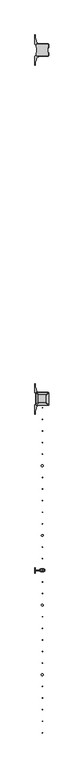
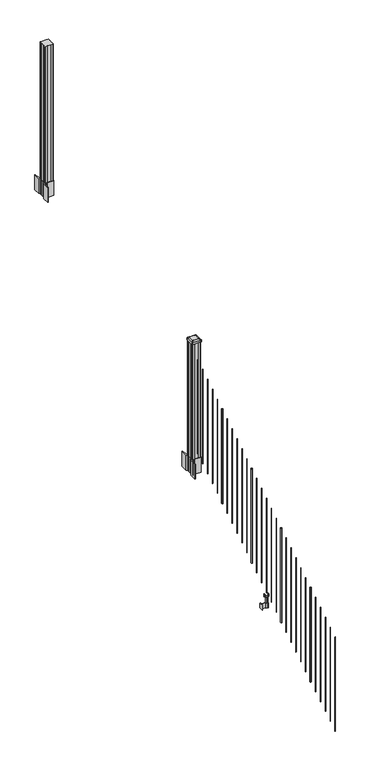
"""IFC4 building model written with IfcOpenShell, lengths in millimetres: railing geometry."""

from ifc_helpers import new_model, si_unit, point, frame, frame_2d, origin, place, context, project, spatial, polyline, circle_curve, trimmed, segment, composite_curve, outline, extrude, source, transform, mapped, element, save
from ifc_brep_helpers import plane_surface, extruded_surface, advanced_brep


def railing_3c6fd05c(model_context):
    return source(origin(), model_context, "Body", "SolidModel", [
        extrude(outline(composite_curve([segment(polyline([(11117.5731478, -85037.4489401), (11119.1606478, -85038.2109401), (11119.1606478, -85061.0128682), (11115.7876707, -85064.3858453), (11054.3279999, -85064.3858453), (11054.3279999, -85065.3065953), (11049.0104561, -85065.3065953), (11049.0104561, -85066.76085), (11043.9259264, -85066.76085), (11043.9259264, -85068.0448738), (11042.2586541, -85068.0448738)]), True, "CONTINUOUS"), segment(trimmed(circle_curve(frame_2d((11042.2586541, -85075.1043337)), 7.0594599), [point((11042.2586541, -85068.0448738))], [point((11035.4913912, -85073.094327))], True, "CARTESIAN"), True, "CONTINUOUS"), segment(polyline([(11035.4913912, -85073.094327), (11027.6171969, -85099.6050561)]), True, "CONTINUOUS"), segment(trimmed(circle_curve(frame_2d((11082.4017103, -85115.8771057)), 57.15), [point((11027.6171969, -85099.6050561))], [point((11025.2517103, -85115.8771057))], True, "CARTESIAN"), True, "CONTINUOUS"), segment(polyline([(11025.2517103, -85115.8771057), (11025.2517103, -85127.8858453), (11022.2517103, -85127.8858453), (11022.2517103, -85062.7983453), (11030.5146478, -85051.460054), (11030.5146478, -85038.2109401), (11032.1021478, -85037.4489401), (11032.1021478, -85002.6767504), (11030.5146478, -85001.9147504), (11030.5146478, -84988.6656366), (11022.2517103, -84977.3273453), (11022.2517103, -84912.2398453), (11025.2517103, -84912.2398453), (11025.2517103, -84924.2485848)]), True, "CONTINUOUS"), segment(trimmed(circle_curve(frame_2d((11082.4017103, -84924.2485848)), 57.15), [point((11025.2517103, -84924.2485848))], [point((11027.6171969, -84940.5206345))], True, "CARTESIAN"), True, "CONTINUOUS"), segment(polyline([(11027.6171969, -84940.5206345), (11035.4913912, -84967.0313636)]), True, "CONTINUOUS"), segment(trimmed(circle_curve(frame_2d((11042.2586541, -84965.0213569)), 7.0594599), [point((11035.4913912, -84967.0313636))], [point((11042.2586541, -84972.0808168))], True, "CARTESIAN"), True, "CONTINUOUS"), segment(polyline([(11042.2586541, -84972.0808168), (11043.9259264, -84972.0808168), (11043.9259264, -84973.3648406), (11049.0104561, -84973.3648406), (11049.0104561, -84974.8190953), (11054.3279999, -84974.8190953), (11054.3279999, -84975.7398453), (11115.7876707, -84975.7398453), (11119.1606478, -84979.1128224), (11119.1606478, -85001.9147504), (11117.5731478, -85002.6767504), (11117.5731478, -85037.4489401)]), True, "CONTINUOUS")], self_intersect=False), holes=[polyline([(11033.5626478, -84980.3753453), (11033.5626478, -85059.7503453), (11035.1501478, -85061.3378453), (11072.0744304, -85061.3378453), (11114.5251478, -85061.3378453), (11116.1126478, -85059.7503453), (11116.1126478, -84980.3753453), (11114.5251478, -84978.7878453), (11072.0744304, -84978.7878453), (11035.1501478, -84978.7878453), (11033.5626478, -84980.3753453)])]), frame((0.0, 0.0, 1562.1), z_axis=(0.0, 0.0, 1.0), x_axis=(1.0, 0.0, 0.0)), (0.0, 0.0, 1.0), 152.4),
        advanced_brep(
        [(11049.0407728, -85049.0347203, 2926.839263), (11100.6345228, -85049.0347203, 2926.839263), (11103.8095228, -85045.8597203, 2926.839263), (11103.8095228, -84994.2659703, 2926.839263), (11100.6345228, -84991.0909703, 2926.839263), (11049.0407728, -84991.0909703, 2926.839263), (11045.8657728, -84994.2659703, 2926.839263), (11045.8657728, -85045.8597203, 2926.839263), (11032.7688978, -85065.3065953, 2915.536263), (11029.5938978, -85062.1315953, 2915.536263), (11029.5938978, -84977.9940953, 2915.536263), (11032.7688978, -84974.8190953, 2915.536263), (11116.9063978, -84974.8190953, 2915.536263), (11120.0813978, -84977.9940953, 2915.536263), (11120.0813978, -85062.1315953, 2915.536263), (11116.9063978, -85065.3065953, 2915.536263)],
        [
            (0, 1),
            (1, 2, circle_curve(frame((11100.6345228, -85045.8597203, 2926.839263), z_axis=(0.0, 0.0, 1.0), x_axis=(0.0, 1.0, 0.0)), 3.175)),
            (2, 3),
            (3, 4, circle_curve(frame((11100.6345228, -84994.2659703, 2926.839263), z_axis=(0.0, 0.0, 1.0), x_axis=(0.0, 1.0, 0.0)), 3.175)),
            (4, 5),
            (5, 6, circle_curve(frame((11049.0407728, -84994.2659703, 2926.839263), z_axis=(0.0, 0.0, 1.0), x_axis=(0.0, 1.0, 0.0)), 3.175)),
            (6, 7),
            (7, 0, circle_curve(frame((11049.0407728, -85045.8597203, 2926.839263), z_axis=(0.0, 0.0, 1.0), x_axis=(0.0, 1.0, 0.0)), 3.175)),
            (8, 9, circle_curve(frame((11032.7688978, -85062.1315953, 2915.536263), z_axis=(0.0, 0.0, -1.0), x_axis=(0.0, 1.0, 0.0)), 3.175)),
            (9, 10),
            (10, 11, circle_curve(frame((11032.7688978, -84977.9940953, 2915.536263), z_axis=(0.0, 0.0, -1.0), x_axis=(0.0, 1.0, 0.0)), 3.175)),
            (11, 12),
            (12, 13, circle_curve(frame((11116.9063978, -84977.9940953, 2915.536263), z_axis=(0.0, 0.0, -1.0), x_axis=(0.0, 1.0, 0.0)), 3.175)),
            (13, 14),
            (14, 15, circle_curve(frame((11116.9063978, -85062.1315953, 2915.536263), z_axis=(0.0, 0.0, -1.0), x_axis=(0.0, 1.0, 0.0)), 3.175)),
            (15, 8),
            (8, 0),
            (7, 9),
            (6, 10),
            (5, 11),
            (4, 12),
            (3, 13),
            (2, 14),
            (1, 15),
        ],
        [
            plane_surface(frame((11074.8376478, -85020.0628453, 2926.839263), z_axis=(0.0, 0.0, 1.0), x_axis=(-1.0, 0.0, 0.0))),
            plane_surface(frame((11074.8376478, -85020.0628453, 2915.536263), z_axis=(0.0, 0.0, -1.0), x_axis=(-1.0, 0.0, 0.0))),
            extruded_surface(trimmed(circle_curve(frame((11049.0407728, -85045.8597203, 2926.839263), z_axis=(0.0, 0.0, -1.0), x_axis=(0.0, 1.0, 0.0)), 3.175), [point((11049.0407728, -85049.0347203, 2926.839263))], [point((11045.8657728, -85045.8597203, 2926.839263))], True, "CARTESIAN"), (-16.271874999998545, -16.27187500000582, -11.302999999999884), 25.63797263886888),
            plane_surface(frame((11029.5938978, -85020.0628453, 2915.536263), z_axis=(-0.5705009161540778, 0.0, 0.8212969649690408), x_axis=(0.0, 1.0, 0.0))),
            extruded_surface(trimmed(circle_curve(frame((11049.0407728, -84994.2659703, 2926.839263), z_axis=(0.0, 0.0, -1.0), x_axis=(0.0, 1.0, 0.0)), 3.175), [point((11045.8657728, -84994.2659703, 2926.839263))], [point((11049.0407728, -84991.0909703, 2926.839263))], True, "CARTESIAN"), (-16.271874999998545, 16.27187499999127, -11.302999999999884), 25.637972638859644),
            plane_surface(frame((11074.8376478, -84974.8190953, 2915.536263), z_axis=(0.0, 0.5705009161540291, 0.8212969649690747), x_axis=(1.0, 0.0, 0.0))),
            extruded_surface(trimmed(circle_curve(frame((11100.6345228, -84994.2659703, 2926.839263), z_axis=(0.0, 0.0, -1.0), x_axis=(0.0, 1.0, 0.0)), 3.175), [point((11100.6345228, -84991.0909703, 2926.839263))], [point((11103.8095228, -84994.2659703, 2926.839263))], True, "CARTESIAN"), (16.271875000000364, 16.27187499999127, -11.302999999999884), 25.637972638860802),
            plane_surface(frame((11120.0813978, -85020.0628453, 2915.536263), z_axis=(0.5705009161540142, 0.0, 0.8212969649690851), x_axis=(0.0, -1.0, 0.0))),
            extruded_surface(trimmed(circle_curve(frame((11100.6345228, -85045.8597203, 2926.839263), z_axis=(0.0, 0.0, -1.0), x_axis=(0.0, 1.0, 0.0)), 3.175), [point((11103.8095228, -85045.8597203, 2926.839263))], [point((11100.6345228, -85049.0347203, 2926.839263))], True, "CARTESIAN"), (16.271875000000364, -16.27187500000582, -11.302999999999884), 25.637972638870036),
            plane_surface(frame((11074.8376478, -85065.3065953, 2915.536263), z_axis=(0.0, -0.570500916154034, 0.8212969649690713), x_axis=(-1.0, 0.0, 0.0))),
        ],
        [
            (0, [[1, 2, 3, 4, 5, 6, 7, 8]]),
            (1, [[9, 10, 11, 12, 13, 14, 15, 16]]),
            (2, [[17, -8, 18, -9]]),
            (3, [[-18, -7, 19, -10]]),
            (4, [[-19, -6, 20, -11]]),
            (5, [[-20, -5, 21, -12]]),
            (6, [[-21, -4, 22, -13]]),
            (7, [[-22, -3, 23, -14]]),
            (8, [[-23, -2, 24, -15]]),
            (9, [[-24, -1, -17, -16]]),
        ],
    ),
        extrude(outline(composite_curve([segment(trimmed(circle_curve(frame_2d((11032.7688978, -85062.1315953)), 3.175), [point((11032.7688978, -85065.3065953))], [point((11029.5938978, -85062.1315953))], False, "CARTESIAN"), True, "CONTINUOUS"), segment(polyline([(11029.5938978, -85062.1315953), (11029.5938978, -84977.9940953)]), True, "CONTINUOUS"), segment(trimmed(circle_curve(frame_2d((11032.7688978, -84977.9940953)), 3.175), [point((11029.5938978, -84977.9940953))], [point((11032.7688978, -84974.8190953))], False, "CARTESIAN"), True, "CONTINUOUS"), segment(polyline([(11032.7688978, -84974.8190953), (11116.9063978, -84974.8190953)]), True, "CONTINUOUS"), segment(trimmed(circle_curve(frame_2d((11116.9063978, -84977.9940953)), 3.175), [point((11116.9063978, -84974.8190953))], [point((11120.0813978, -84977.9940953))], False, "CARTESIAN"), True, "CONTINUOUS"), segment(polyline([(11120.0813978, -84977.9940953), (11120.0813978, -85062.1315953)]), True, "CONTINUOUS"), segment(trimmed(circle_curve(frame_2d((11116.9063978, -85062.1315953)), 3.175), [point((11120.0813978, -85062.1315953))], [point((11116.9063978, -85065.3065953))], False, "CARTESIAN"), True, "CONTINUOUS"), segment(polyline([(11116.9063978, -85065.3065953), (11032.7688978, -85065.3065953)]), True, "CONTINUOUS")], self_intersect=False)), frame((0.0, 0.0, 2898.264263), z_axis=(0.0, 0.0, 1.0), x_axis=(1.0, 0.0, 0.0)), (0.0, 0.0, 1.0), 17.272),
        extrude(outline(polyline([(11035.1501478, -85061.3378453), (11033.5626478, -85059.7503453), (11033.5626478, -85040.1288453), (11035.1501478, -85039.3668453), (11035.1501478, -85000.7588453), (11033.5626478, -84999.9968453), (11033.5626478, -84980.3753453), (11035.1501478, -84978.7878453), (11054.7716478, -84978.7878453), (11055.5336478, -84980.3753453), (11094.1416478, -84980.3753453), (11094.9036478, -84978.7878453), (11114.5251478, -84978.7878453), (11116.1126478, -84980.3753453), (11116.1126478, -84999.9968453), (11114.5251478, -85000.7588453), (11114.5251478, -85039.3668453), (11116.1126478, -85040.1288453), (11116.1126478, -85059.7503453), (11114.5251478, -85061.3378453), (11094.9036478, -85061.3378453), (11094.1416478, -85059.7503453), (11055.5336478, -85059.7503453), (11054.7716478, -85061.3378453), (11035.1501478, -85061.3378453)])), frame((0.0, 0.0, 1714.5), z_axis=(0.0, 0.0, 1.0), x_axis=(1.0, 0.0, 0.0)), (0.0, 0.0, 1.0), 1183.764263),
        extrude(outline(composite_curve([segment(trimmed(circle_curve(frame_2d((11074.8376478, -85083.5628453)), 1.5875), [point((11076.4251478, -85083.5628453))], [point((11074.8376478, -85085.1503453))], False, "CARTESIAN"), True, "CONTINUOUS"), segment(trimmed(circle_curve(frame_2d((11074.8376478, -85083.5628453)), 1.5875), [point((11074.8376478, -85085.1503453))], [point((11073.2501478, -85083.5628453))], False, "CARTESIAN"), True, "CONTINUOUS"), segment(trimmed(circle_curve(frame_2d((11074.8376478, -85083.5628453)), 1.5875), [point((11073.2501478, -85083.5628453))], [point((11074.8376478, -85081.9753453))], False, "CARTESIAN"), True, "CONTINUOUS"), segment(trimmed(circle_curve(frame_2d((11074.8376478, -85083.5628453)), 1.5875), [point((11074.8376478, -85081.9753453))], [point((11076.4251478, -85083.5628453))], False, "CARTESIAN"), True, "CONTINUOUS")], self_intersect=False)), frame((0.0, 0.0, 1776.4083781), z_axis=(0.0, 0.0, 1.0), x_axis=(1.0, 0.0, 0.0)), (0.0, 0.0, 1.0), 965.2041219),
        extrude(outline(composite_curve([segment(trimmed(circle_curve(frame_2d((11074.8376478, -85166.1128453)), 1.5875), [point((11076.4251478, -85166.1128453))], [point((11074.8376478, -85167.7003453))], False, "CARTESIAN"), True, "CONTINUOUS"), segment(trimmed(circle_curve(frame_2d((11074.8376478, -85166.1128453)), 1.5875), [point((11074.8376478, -85167.7003453))], [point((11073.2501478, -85166.1128453))], False, "CARTESIAN"), True, "CONTINUOUS"), segment(trimmed(circle_curve(frame_2d((11074.8376478, -85166.1128453)), 1.5875), [point((11073.2501478, -85166.1128453))], [point((11074.8376478, -85164.5253453))], False, "CARTESIAN"), True, "CONTINUOUS"), segment(trimmed(circle_curve(frame_2d((11074.8376478, -85166.1128453)), 1.5875), [point((11074.8376478, -85164.5253453))], [point((11076.4251478, -85166.1128453))], False, "CARTESIAN"), True, "CONTINUOUS")], self_intersect=False)), frame((0.0, 0.0, 1724.8146281), z_axis=(0.0, 0.0, 1.0), x_axis=(1.0, 0.0, 0.0)), (0.0, 0.0, 1.0), 965.2041219),
        extrude(outline(composite_curve([segment(trimmed(circle_curve(frame_2d((11074.8376478, -85248.6628453)), 1.5875), [point((11076.4251478, -85248.6628453))], [point((11074.8376478, -85250.2503453))], False, "CARTESIAN"), True, "CONTINUOUS"), segment(trimmed(circle_curve(frame_2d((11074.8376478, -85248.6628453)), 1.5875), [point((11074.8376478, -85250.2503453))], [point((11073.2501478, -85248.6628453))], False, "CARTESIAN"), True, "CONTINUOUS"), segment(trimmed(circle_curve(frame_2d((11074.8376478, -85248.6628453)), 1.5875), [point((11073.2501478, -85248.6628453))], [point((11074.8376478, -85247.0753453))], False, "CARTESIAN"), True, "CONTINUOUS"), segment(trimmed(circle_curve(frame_2d((11074.8376478, -85248.6628453)), 1.5875), [point((11074.8376478, -85247.0753453))], [point((11076.4251478, -85248.6628453))], False, "CARTESIAN"), True, "CONTINUOUS")], self_intersect=False)), frame((0.0, 0.0, 1673.2208781), z_axis=(0.0, 0.0, 1.0), x_axis=(1.0, 0.0, 0.0)), (0.0, 0.0, 1.0), 965.2041219),
        extrude(outline(composite_curve([segment(trimmed(circle_curve(frame_2d((11074.8376478, -85331.2128453)), 1.5875), [point((11076.4251478, -85331.2128453))], [point((11074.8376478, -85332.8003453))], False, "CARTESIAN"), True, "CONTINUOUS"), segment(trimmed(circle_curve(frame_2d((11074.8376478, -85331.2128453)), 1.5875), [point((11074.8376478, -85332.8003453))], [point((11073.2501478, -85331.2128453))], False, "CARTESIAN"), True, "CONTINUOUS"), segment(trimmed(circle_curve(frame_2d((11074.8376478, -85331.2128453)), 1.5875), [point((11073.2501478, -85331.2128453))], [point((11074.8376478, -85329.6253453))], False, "CARTESIAN"), True, "CONTINUOUS"), segment(trimmed(circle_curve(frame_2d((11074.8376478, -85331.2128453)), 1.5875), [point((11074.8376478, -85329.6253453))], [point((11076.4251478, -85331.2128453))], False, "CARTESIAN"), True, "CONTINUOUS")], self_intersect=False)), frame((0.0, 0.0, 1621.6271281), z_axis=(0.0, 0.0, 1.0), x_axis=(1.0, 0.0, 0.0)), (0.0, 0.0, 1.0), 965.2041219),
        extrude(outline(composite_curve([segment(trimmed(circle_curve(frame_2d((11074.8376478, -85413.7628453)), 1.5875), [point((11076.4251478, -85413.7628453))], [point((11074.8376478, -85415.3503453))], False, "CARTESIAN"), True, "CONTINUOUS"), segment(trimmed(circle_curve(frame_2d((11074.8376478, -85413.7628453)), 1.5875), [point((11074.8376478, -85415.3503453))], [point((11073.2501478, -85413.7628453))], False, "CARTESIAN"), True, "CONTINUOUS"), segment(trimmed(circle_curve(frame_2d((11074.8376478, -85413.7628453)), 1.5875), [point((11073.2501478, -85413.7628453))], [point((11074.8376478, -85412.1753453))], False, "CARTESIAN"), True, "CONTINUOUS"), segment(trimmed(circle_curve(frame_2d((11074.8376478, -85413.7628453)), 1.5875), [point((11074.8376478, -85412.1753453))], [point((11076.4251478, -85413.7628453))], False, "CARTESIAN"), True, "CONTINUOUS")], self_intersect=False)), frame((0.0, 0.0, 1570.0333781), z_axis=(0.0, 0.0, 1.0), x_axis=(1.0, 0.0, 0.0)), (0.0, 0.0, 1.0), 965.2041219),
        extrude(outline(composite_curve([segment(trimmed(circle_curve(frame_2d((11074.8376478, -85496.3128453)), 6.35), [point((11081.1876478, -85496.3128453))], [point((11074.8376478, -85502.6628453))], False, "CARTESIAN"), True, "CONTINUOUS"), segment(trimmed(circle_curve(frame_2d((11074.8376478, -85496.3128453)), 6.35), [point((11074.8376478, -85502.6628453))], [point((11068.4876478, -85496.3128453))], False, "CARTESIAN"), True, "CONTINUOUS"), segment(trimmed(circle_curve(frame_2d((11074.8376478, -85496.3128453)), 6.35), [point((11068.4876478, -85496.3128453))], [point((11074.8376478, -85489.9628453))], False, "CARTESIAN"), True, "CONTINUOUS"), segment(trimmed(circle_curve(frame_2d((11074.8376478, -85496.3128453)), 6.35), [point((11074.8376478, -85489.9628453))], [point((11081.1876478, -85496.3128453))], False, "CARTESIAN"), True, "CONTINUOUS")], self_intersect=False)), frame((0.0, 0.0, 1518.4396281), z_axis=(0.0, 0.0, 1.0), x_axis=(1.0, 0.0, 0.0)), (0.0, 0.0, 1.0), 965.2041219),
        extrude(outline(composite_curve([segment(trimmed(circle_curve(frame_2d((11074.8376478, -85578.8628453)), 1.5875), [point((11076.4251478, -85578.8628453))], [point((11074.8376478, -85580.4503453))], False, "CARTESIAN"), True, "CONTINUOUS"), segment(trimmed(circle_curve(frame_2d((11074.8376478, -85578.8628453)), 1.5875), [point((11074.8376478, -85580.4503453))], [point((11073.2501478, -85578.8628453))], False, "CARTESIAN"), True, "CONTINUOUS"), segment(trimmed(circle_curve(frame_2d((11074.8376478, -85578.8628453)), 1.5875), [point((11073.2501478, -85578.8628453))], [point((11074.8376478, -85577.2753453))], False, "CARTESIAN"), True, "CONTINUOUS"), segment(trimmed(circle_curve(frame_2d((11074.8376478, -85578.8628453)), 1.5875), [point((11074.8376478, -85577.2753453))], [point((11076.4251478, -85578.8628453))], False, "CARTESIAN"), True, "CONTINUOUS")], self_intersect=False)), frame((0.0, 0.0, 1466.8458781), z_axis=(0.0, 0.0, 1.0), x_axis=(1.0, 0.0, 0.0)), (0.0, 0.0, 1.0), 965.2041219),
        extrude(outline(composite_curve([segment(trimmed(circle_curve(frame_2d((11074.8376478, -85661.4128453)), 1.5875), [point((11076.4251478, -85661.4128453))], [point((11074.8376478, -85663.0003453))], False, "CARTESIAN"), True, "CONTINUOUS"), segment(trimmed(circle_curve(frame_2d((11074.8376478, -85661.4128453)), 1.5875), [point((11074.8376478, -85663.0003453))], [point((11073.2501478, -85661.4128453))], False, "CARTESIAN"), True, "CONTINUOUS"), segment(trimmed(circle_curve(frame_2d((11074.8376478, -85661.4128453)), 1.5875), [point((11073.2501478, -85661.4128453))], [point((11074.8376478, -85659.8253453))], False, "CARTESIAN"), True, "CONTINUOUS"), segment(trimmed(circle_curve(frame_2d((11074.8376478, -85661.4128453)), 1.5875), [point((11074.8376478, -85659.8253453))], [point((11076.4251478, -85661.4128453))], False, "CARTESIAN"), True, "CONTINUOUS")], self_intersect=False)), frame((0.0, 0.0, 1415.2521281), z_axis=(0.0, 0.0, 1.0), x_axis=(1.0, 0.0, 0.0)), (0.0, 0.0, 1.0), 965.2041219),
        extrude(outline(composite_curve([segment(trimmed(circle_curve(frame_2d((11074.8376478, -85743.9628453)), 1.5875), [point((11076.4251478, -85743.9628453))], [point((11074.8376478, -85745.5503453))], False, "CARTESIAN"), True, "CONTINUOUS"), segment(trimmed(circle_curve(frame_2d((11074.8376478, -85743.9628453)), 1.5875), [point((11074.8376478, -85745.5503453))], [point((11073.2501478, -85743.9628453))], False, "CARTESIAN"), True, "CONTINUOUS"), segment(trimmed(circle_curve(frame_2d((11074.8376478, -85743.9628453)), 1.5875), [point((11073.2501478, -85743.9628453))], [point((11074.8376478, -85742.3753453))], False, "CARTESIAN"), True, "CONTINUOUS"), segment(trimmed(circle_curve(frame_2d((11074.8376478, -85743.9628453)), 1.5875), [point((11074.8376478, -85742.3753453))], [point((11076.4251478, -85743.9628453))], False, "CARTESIAN"), True, "CONTINUOUS")], self_intersect=False)), frame((0.0, 0.0, 1363.6583781), z_axis=(0.0, 0.0, 1.0), x_axis=(1.0, 0.0, 0.0)), (0.0, 0.0, 1.0), 965.2041219),
        extrude(outline(composite_curve([segment(trimmed(circle_curve(frame_2d((11074.8376478, -85826.5128453)), 1.5875), [point((11076.4251478, -85826.5128453))], [point((11074.8376478, -85828.1003453))], False, "CARTESIAN"), True, "CONTINUOUS"), segment(trimmed(circle_curve(frame_2d((11074.8376478, -85826.5128453)), 1.5875), [point((11074.8376478, -85828.1003453))], [point((11073.2501478, -85826.5128453))], False, "CARTESIAN"), True, "CONTINUOUS"), segment(trimmed(circle_curve(frame_2d((11074.8376478, -85826.5128453)), 1.5875), [point((11073.2501478, -85826.5128453))], [point((11074.8376478, -85824.9253453))], False, "CARTESIAN"), True, "CONTINUOUS"), segment(trimmed(circle_curve(frame_2d((11074.8376478, -85826.5128453)), 1.5875), [point((11074.8376478, -85824.9253453))], [point((11076.4251478, -85826.5128453))], False, "CARTESIAN"), True, "CONTINUOUS")], self_intersect=False)), frame((0.0, 0.0, 1312.0646281), z_axis=(0.0, 0.0, 1.0), x_axis=(1.0, 0.0, 0.0)), (0.0, 0.0, 1.0), 965.2041219),
        extrude(outline(composite_curve([segment(trimmed(circle_curve(frame_2d((11074.8376478, -85909.0628453)), 1.5875), [point((11076.4251478, -85909.0628453))], [point((11074.8376478, -85910.6503453))], False, "CARTESIAN"), True, "CONTINUOUS"), segment(trimmed(circle_curve(frame_2d((11074.8376478, -85909.0628453)), 1.5875), [point((11074.8376478, -85910.6503453))], [point((11073.2501478, -85909.0628453))], False, "CARTESIAN"), True, "CONTINUOUS"), segment(trimmed(circle_curve(frame_2d((11074.8376478, -85909.0628453)), 1.5875), [point((11073.2501478, -85909.0628453))], [point((11074.8376478, -85907.4753453))], False, "CARTESIAN"), True, "CONTINUOUS"), segment(trimmed(circle_curve(frame_2d((11074.8376478, -85909.0628453)), 1.5875), [point((11074.8376478, -85907.4753453))], [point((11076.4251478, -85909.0628453))], False, "CARTESIAN"), True, "CONTINUOUS")], self_intersect=False)), frame((0.0, 0.0, 1260.4708781), z_axis=(0.0, 0.0, 1.0), x_axis=(1.0, 0.0, 0.0)), (0.0, 0.0, 1.0), 965.2041219),
        extrude(outline(composite_curve([segment(trimmed(circle_curve(frame_2d((11074.8376478, -85991.6128453)), 6.35), [point((11081.1876478, -85991.6128453))], [point((11074.8376478, -85997.9628453))], False, "CARTESIAN"), True, "CONTINUOUS"), segment(trimmed(circle_curve(frame_2d((11074.8376478, -85991.6128453)), 6.35), [point((11074.8376478, -85997.9628453))], [point((11068.4876478, -85991.6128453))], False, "CARTESIAN"), True, "CONTINUOUS"), segment(trimmed(circle_curve(frame_2d((11074.8376478, -85991.6128453)), 6.35), [point((11068.4876478, -85991.6128453))], [point((11074.8376478, -85985.2628453))], False, "CARTESIAN"), True, "CONTINUOUS"), segment(trimmed(circle_curve(frame_2d((11074.8376478, -85991.6128453)), 6.35), [point((11074.8376478, -85985.2628453))], [point((11081.1876478, -85991.6128453))], False, "CARTESIAN"), True, "CONTINUOUS")], self_intersect=False)), frame((0.0, 0.0, 1208.8771281), z_axis=(0.0, 0.0, 1.0), x_axis=(1.0, 0.0, 0.0)), (0.0, 0.0, 1.0), 965.2041219),
        extrude(outline(composite_curve([segment(trimmed(circle_curve(frame_2d((11074.8376478, -86074.1628453)), 1.5875), [point((11076.4251478, -86074.1628453))], [point((11074.8376478, -86075.7503453))], False, "CARTESIAN"), True, "CONTINUOUS"), segment(trimmed(circle_curve(frame_2d((11074.8376478, -86074.1628453)), 1.5875), [point((11074.8376478, -86075.7503453))], [point((11073.2501478, -86074.1628453))], False, "CARTESIAN"), True, "CONTINUOUS"), segment(trimmed(circle_curve(frame_2d((11074.8376478, -86074.1628453)), 1.5875), [point((11073.2501478, -86074.1628453))], [point((11074.8376478, -86072.5753453))], False, "CARTESIAN"), True, "CONTINUOUS"), segment(trimmed(circle_curve(frame_2d((11074.8376478, -86074.1628453)), 1.5875), [point((11074.8376478, -86072.5753453))], [point((11076.4251478, -86074.1628453))], False, "CARTESIAN"), True, "CONTINUOUS")], self_intersect=False)), frame((0.0, 0.0, 1157.2833781), z_axis=(0.0, 0.0, 1.0), x_axis=(1.0, 0.0, 0.0)), (0.0, 0.0, 1.0), 965.2041219),
        extrude(outline(composite_curve([segment(trimmed(circle_curve(frame_2d((11074.8376478, -86156.7128453)), 1.5875), [point((11076.4251478, -86156.7128453))], [point((11074.8376478, -86158.3003453))], False, "CARTESIAN"), True, "CONTINUOUS"), segment(trimmed(circle_curve(frame_2d((11074.8376478, -86156.7128453)), 1.5875), [point((11074.8376478, -86158.3003453))], [point((11073.2501478, -86156.7128453))], False, "CARTESIAN"), True, "CONTINUOUS"), segment(trimmed(circle_curve(frame_2d((11074.8376478, -86156.7128453)), 1.5875), [point((11073.2501478, -86156.7128453))], [point((11074.8376478, -86155.1253453))], False, "CARTESIAN"), True, "CONTINUOUS"), segment(trimmed(circle_curve(frame_2d((11074.8376478, -86156.7128453)), 1.5875), [point((11074.8376478, -86155.1253453))], [point((11076.4251478, -86156.7128453))], False, "CARTESIAN"), True, "CONTINUOUS")], self_intersect=False)), frame((0.0, 0.0, 1105.6896281), z_axis=(0.0, 0.0, 1.0), x_axis=(1.0, 0.0, 0.0)), (0.0, 0.0, 1.0), 965.2041219),
        extrude(outline(polyline([(11064.169648, -86240.5328453), (11024.7996478, -86240.5328453), (11024.7996478, -86237.9928453), (11064.169648, -86237.9928453), (11064.169648, -86240.5328453)])), frame((0.0, 0.0, 901.7), z_axis=(0.0, 0.0, 1.0), x_axis=(1.0, 0.0, 0.0)), (0.0, 0.0, 1.0), 50.8),
        extrude(outline(polyline([(11024.7996478, -86258.3128453), (11022.2596478, -86258.3128453), (11022.2596478, -86220.2128453), (11024.7996478, -86220.2128453), (11024.7996478, -86258.3128453)])), frame((0.0, 0.0, 901.7), z_axis=(0.0, 0.0, 1.0), x_axis=(1.0, 0.0, 0.0)), (0.0, 0.0, 1.0), 50.8),
        extrude(outline(polyline([(11085.5056485, -86249.1688453), (11064.169648, -86249.1688453), (11064.169648, -86229.3568453), (11085.5056485, -86229.3568453), (11085.5056485, -86249.1688453)]), holes=[polyline([(11082.2036484, -86246.6288453), (11082.2036484, -86231.8968453), (11067.4716481, -86231.8968453), (11067.4716481, -86246.6288453), (11082.2036484, -86246.6288453)])]), frame((0.0, 0.0, 901.7), z_axis=(0.0, 0.0, 1.0), x_axis=(1.0, 0.0, 0.0)), (0.0, 0.0, 1.0), 50.8),
        extrude(outline(polyline([(1041.2203979, 11056.6766489), (1040.4583969, 11055.9146479), (1013.9680023, 11055.9146479), (1013.2060013, 11056.6766489), (1013.2060013, 11066.709648), (1012.4440012, 11067.4716481), (948.9440012, 11067.4716481), (948.9440012, 11082.2036484), (1012.4440012, 11082.2036484), (1013.2060013, 11082.9656485), (1013.2060013, 11092.9986475), (1013.9680023, 11093.7606486), (1040.4583969, 11093.7606486), (1041.2203979, 11092.9986475), (1041.2203979, 11090.966648), (1040.2043953, 11089.9506482), (1029.7686081, 11089.9506482), (1028.7526073, 11090.966648), (1016.762001, 11090.966648), (1016.0000019, 11090.2046488), (1016.0000019, 11059.4706477), (1016.762001, 11058.7086485), (1028.7526073, 11058.7086485), (1029.7686081, 11059.7246483), (1040.2043953, 11059.7246483), (1041.2203979, 11058.7086485), (1041.2203979, 11056.6766489)]), holes=[polyline([(1013.2060013, 11078.2666481), (1012.4440012, 11079.0286482), (956.4370031, 11079.0286482), (955.6750031, 11078.2666481), (955.6750031, 11071.4086455), (956.4370003, 11070.6466483), (1012.4440012, 11070.6466483), (1013.2060013, 11071.4086483), (1013.2060013, 11078.2666481)])]), frame((0.0, -86246.6288453, 0.0), z_axis=(0.0, 1.0, 0.0), x_axis=(0.0, 0.0, 1.0)), (0.0, 0.0, 1.0), 14.732),
        extrude(outline(composite_curve([segment(trimmed(circle_curve(frame_2d((11074.8376478, -86239.2628453)), 1.5875), [point((11076.4251478, -86239.2628453))], [point((11074.8376478, -86240.8503453))], False, "CARTESIAN"), True, "CONTINUOUS"), segment(trimmed(circle_curve(frame_2d((11074.8376478, -86239.2628453)), 1.5875), [point((11074.8376478, -86240.8503453))], [point((11073.2501478, -86239.2628453))], False, "CARTESIAN"), True, "CONTINUOUS"), segment(trimmed(circle_curve(frame_2d((11074.8376478, -86239.2628453)), 1.5875), [point((11073.2501478, -86239.2628453))], [point((11074.8376478, -86237.6753453))], False, "CARTESIAN"), True, "CONTINUOUS"), segment(trimmed(circle_curve(frame_2d((11074.8376478, -86239.2628453)), 1.5875), [point((11074.8376478, -86237.6753453))], [point((11076.4251478, -86239.2628453))], False, "CARTESIAN"), True, "CONTINUOUS")], self_intersect=False)), frame((0.0, 0.0, 1054.0958781), z_axis=(0.0, 0.0, 1.0), x_axis=(1.0, 0.0, 0.0)), (0.0, 0.0, 1.0), 965.2041219),
        extrude(outline(composite_curve([segment(trimmed(circle_curve(frame_2d((11074.8376478, -86321.8128453)), 1.5875), [point((11076.4251478, -86321.8128453))], [point((11074.8376478, -86323.4003453))], False, "CARTESIAN"), True, "CONTINUOUS"), segment(trimmed(circle_curve(frame_2d((11074.8376478, -86321.8128453)), 1.5875), [point((11074.8376478, -86323.4003453))], [point((11073.2501478, -86321.8128453))], False, "CARTESIAN"), True, "CONTINUOUS"), segment(trimmed(circle_curve(frame_2d((11074.8376478, -86321.8128453)), 1.5875), [point((11073.2501478, -86321.8128453))], [point((11074.8376478, -86320.2253453))], False, "CARTESIAN"), True, "CONTINUOUS"), segment(trimmed(circle_curve(frame_2d((11074.8376478, -86321.8128453)), 1.5875), [point((11074.8376478, -86320.2253453))], [point((11076.4251478, -86321.8128453))], False, "CARTESIAN"), True, "CONTINUOUS")], self_intersect=False)), frame((0.0, 0.0, 1002.5021281), z_axis=(0.0, 0.0, 1.0), x_axis=(1.0, 0.0, 0.0)), (0.0, 0.0, 1.0), 965.2041219),
        extrude(outline(composite_curve([segment(trimmed(circle_curve(frame_2d((11074.8376478, -86404.3628453)), 1.5875), [point((11076.4251478, -86404.3628453))], [point((11074.8376478, -86405.9503453))], False, "CARTESIAN"), True, "CONTINUOUS"), segment(trimmed(circle_curve(frame_2d((11074.8376478, -86404.3628453)), 1.5875), [point((11074.8376478, -86405.9503453))], [point((11073.2501478, -86404.3628453))], False, "CARTESIAN"), True, "CONTINUOUS"), segment(trimmed(circle_curve(frame_2d((11074.8376478, -86404.3628453)), 1.5875), [point((11073.2501478, -86404.3628453))], [point((11074.8376478, -86402.7753453))], False, "CARTESIAN"), True, "CONTINUOUS"), segment(trimmed(circle_curve(frame_2d((11074.8376478, -86404.3628453)), 1.5875), [point((11074.8376478, -86402.7753453))], [point((11076.4251478, -86404.3628453))], False, "CARTESIAN"), True, "CONTINUOUS")], self_intersect=False)), frame((0.0, 0.0, 950.9083781), z_axis=(0.0, 0.0, 1.0), x_axis=(1.0, 0.0, 0.0)), (0.0, 0.0, 1.0), 965.2041219),
        extrude(outline(composite_curve([segment(trimmed(circle_curve(frame_2d((11074.8376478, -86486.9128453)), 6.35), [point((11081.1876478, -86486.9128453))], [point((11074.8376478, -86493.2628453))], False, "CARTESIAN"), True, "CONTINUOUS"), segment(trimmed(circle_curve(frame_2d((11074.8376478, -86486.9128453)), 6.35), [point((11074.8376478, -86493.2628453))], [point((11068.4876478, -86486.9128453))], False, "CARTESIAN"), True, "CONTINUOUS"), segment(trimmed(circle_curve(frame_2d((11074.8376478, -86486.9128453)), 6.35), [point((11068.4876478, -86486.9128453))], [point((11074.8376478, -86480.5628453))], False, "CARTESIAN"), True, "CONTINUOUS"), segment(trimmed(circle_curve(frame_2d((11074.8376478, -86486.9128453)), 6.35), [point((11074.8376478, -86480.5628453))], [point((11081.1876478, -86486.9128453))], False, "CARTESIAN"), True, "CONTINUOUS")], self_intersect=False)), frame((0.0, 0.0, 899.3146281), z_axis=(0.0, 0.0, 1.0), x_axis=(1.0, 0.0, 0.0)), (0.0, 0.0, 1.0), 965.2041219),
        extrude(outline(composite_curve([segment(trimmed(circle_curve(frame_2d((11074.8376478, -86569.4628453)), 1.5875), [point((11076.4251478, -86569.4628453))], [point((11074.8376478, -86571.0503453))], False, "CARTESIAN"), True, "CONTINUOUS"), segment(trimmed(circle_curve(frame_2d((11074.8376478, -86569.4628453)), 1.5875), [point((11074.8376478, -86571.0503453))], [point((11073.2501478, -86569.4628453))], False, "CARTESIAN"), True, "CONTINUOUS"), segment(trimmed(circle_curve(frame_2d((11074.8376478, -86569.4628453)), 1.5875), [point((11073.2501478, -86569.4628453))], [point((11074.8376478, -86567.8753453))], False, "CARTESIAN"), True, "CONTINUOUS"), segment(trimmed(circle_curve(frame_2d((11074.8376478, -86569.4628453)), 1.5875), [point((11074.8376478, -86567.8753453))], [point((11076.4251478, -86569.4628453))], False, "CARTESIAN"), True, "CONTINUOUS")], self_intersect=False)), frame((0.0, 0.0, 847.7208781), z_axis=(0.0, 0.0, 1.0), x_axis=(1.0, 0.0, 0.0)), (0.0, 0.0, 1.0), 965.2041219),
        extrude(outline(composite_curve([segment(trimmed(circle_curve(frame_2d((11074.8376478, -86652.0128453)), 1.5875), [point((11076.4251478, -86652.0128453))], [point((11074.8376478, -86653.6003453))], False, "CARTESIAN"), True, "CONTINUOUS"), segment(trimmed(circle_curve(frame_2d((11074.8376478, -86652.0128453)), 1.5875), [point((11074.8376478, -86653.6003453))], [point((11073.2501478, -86652.0128453))], False, "CARTESIAN"), True, "CONTINUOUS"), segment(trimmed(circle_curve(frame_2d((11074.8376478, -86652.0128453)), 1.5875), [point((11073.2501478, -86652.0128453))], [point((11074.8376478, -86650.4253453))], False, "CARTESIAN"), True, "CONTINUOUS"), segment(trimmed(circle_curve(frame_2d((11074.8376478, -86652.0128453)), 1.5875), [point((11074.8376478, -86650.4253453))], [point((11076.4251478, -86652.0128453))], False, "CARTESIAN"), True, "CONTINUOUS")], self_intersect=False)), frame((0.0, 0.0, 796.1271281), z_axis=(0.0, 0.0, 1.0), x_axis=(1.0, 0.0, 0.0)), (0.0, 0.0, 1.0), 965.2041219),
        extrude(outline(composite_curve([segment(trimmed(circle_curve(frame_2d((11074.8376478, -86734.5628453)), 1.5875), [point((11076.4251478, -86734.5628453))], [point((11074.8376478, -86736.1503453))], False, "CARTESIAN"), True, "CONTINUOUS"), segment(trimmed(circle_curve(frame_2d((11074.8376478, -86734.5628453)), 1.5875), [point((11074.8376478, -86736.1503453))], [point((11073.2501478, -86734.5628453))], False, "CARTESIAN"), True, "CONTINUOUS"), segment(trimmed(circle_curve(frame_2d((11074.8376478, -86734.5628453)), 1.5875), [point((11073.2501478, -86734.5628453))], [point((11074.8376478, -86732.9753453))], False, "CARTESIAN"), True, "CONTINUOUS"), segment(trimmed(circle_curve(frame_2d((11074.8376478, -86734.5628453)), 1.5875), [point((11074.8376478, -86732.9753453))], [point((11076.4251478, -86734.5628453))], False, "CARTESIAN"), True, "CONTINUOUS")], self_intersect=False)), frame((0.0, 0.0, 744.5333781), z_axis=(0.0, 0.0, 1.0), x_axis=(1.0, 0.0, 0.0)), (0.0, 0.0, 1.0), 965.2041219),
        extrude(outline(composite_curve([segment(trimmed(circle_curve(frame_2d((11074.8376478, -86817.1128453)), 1.5875), [point((11076.4251478, -86817.1128453))], [point((11074.8376478, -86818.7003453))], False, "CARTESIAN"), True, "CONTINUOUS"), segment(trimmed(circle_curve(frame_2d((11074.8376478, -86817.1128453)), 1.5875), [point((11074.8376478, -86818.7003453))], [point((11073.2501478, -86817.1128453))], False, "CARTESIAN"), True, "CONTINUOUS"), segment(trimmed(circle_curve(frame_2d((11074.8376478, -86817.1128453)), 1.5875), [point((11073.2501478, -86817.1128453))], [point((11074.8376478, -86815.5253453))], False, "CARTESIAN"), True, "CONTINUOUS"), segment(trimmed(circle_curve(frame_2d((11074.8376478, -86817.1128453)), 1.5875), [point((11074.8376478, -86815.5253453))], [point((11076.4251478, -86817.1128453))], False, "CARTESIAN"), True, "CONTINUOUS")], self_intersect=False)), frame((0.0, 0.0, 692.9396281), z_axis=(0.0, 0.0, 1.0), x_axis=(1.0, 0.0, 0.0)), (0.0, 0.0, 1.0), 965.2041219),
        extrude(outline(composite_curve([segment(trimmed(circle_curve(frame_2d((11074.8376478, -86899.6628453)), 1.5875), [point((11076.4251478, -86899.6628453))], [point((11074.8376478, -86901.2503453))], False, "CARTESIAN"), True, "CONTINUOUS"), segment(trimmed(circle_curve(frame_2d((11074.8376478, -86899.6628453)), 1.5875), [point((11074.8376478, -86901.2503453))], [point((11073.2501478, -86899.6628453))], False, "CARTESIAN"), True, "CONTINUOUS"), segment(trimmed(circle_curve(frame_2d((11074.8376478, -86899.6628453)), 1.5875), [point((11073.2501478, -86899.6628453))], [point((11074.8376478, -86898.0753453))], False, "CARTESIAN"), True, "CONTINUOUS"), segment(trimmed(circle_curve(frame_2d((11074.8376478, -86899.6628453)), 1.5875), [point((11074.8376478, -86898.0753453))], [point((11076.4251478, -86899.6628453))], False, "CARTESIAN"), True, "CONTINUOUS")], self_intersect=False)), frame((0.0, 0.0, 641.3458781), z_axis=(0.0, 0.0, 1.0), x_axis=(1.0, 0.0, 0.0)), (0.0, 0.0, 1.0), 965.2041219),
        extrude(outline(composite_curve([segment(trimmed(circle_curve(frame_2d((11074.8376478, -86982.2128453)), 6.35), [point((11081.1876478, -86982.2128453))], [point((11074.8376478, -86988.5628453))], False, "CARTESIAN"), True, "CONTINUOUS"), segment(trimmed(circle_curve(frame_2d((11074.8376478, -86982.2128453)), 6.35), [point((11074.8376478, -86988.5628453))], [point((11068.4876478, -86982.2128453))], False, "CARTESIAN"), True, "CONTINUOUS"), segment(trimmed(circle_curve(frame_2d((11074.8376478, -86982.2128453)), 6.35), [point((11068.4876478, -86982.2128453))], [point((11074.8376478, -86975.8628453))], False, "CARTESIAN"), True, "CONTINUOUS"), segment(trimmed(circle_curve(frame_2d((11074.8376478, -86982.2128453)), 6.35), [point((11074.8376478, -86975.8628453))], [point((11081.1876478, -86982.2128453))], False, "CARTESIAN"), True, "CONTINUOUS")], self_intersect=False)), frame((0.0, 0.0, 589.7521281), z_axis=(0.0, 0.0, 1.0), x_axis=(1.0, 0.0, 0.0)), (0.0, 0.0, 1.0), 965.2041219),
        extrude(outline(composite_curve([segment(trimmed(circle_curve(frame_2d((11074.8376478, -87064.7628453)), 1.5875), [point((11076.4251478, -87064.7628453))], [point((11074.8376478, -87066.3503453))], False, "CARTESIAN"), True, "CONTINUOUS"), segment(trimmed(circle_curve(frame_2d((11074.8376478, -87064.7628453)), 1.5875), [point((11074.8376478, -87066.3503453))], [point((11073.2501478, -87064.7628453))], False, "CARTESIAN"), True, "CONTINUOUS"), segment(trimmed(circle_curve(frame_2d((11074.8376478, -87064.7628453)), 1.5875), [point((11073.2501478, -87064.7628453))], [point((11074.8376478, -87063.1753453))], False, "CARTESIAN"), True, "CONTINUOUS"), segment(trimmed(circle_curve(frame_2d((11074.8376478, -87064.7628453)), 1.5875), [point((11074.8376478, -87063.1753453))], [point((11076.4251478, -87064.7628453))], False, "CARTESIAN"), True, "CONTINUOUS")], self_intersect=False)), frame((0.0, 0.0, 538.1583781), z_axis=(0.0, 0.0, 1.0), x_axis=(1.0, 0.0, 0.0)), (0.0, 0.0, 1.0), 965.2041219),
        extrude(outline(composite_curve([segment(trimmed(circle_curve(frame_2d((11074.8376478, -87147.3128453)), 1.5875), [point((11076.4251478, -87147.3128453))], [point((11074.8376478, -87148.9003453))], False, "CARTESIAN"), True, "CONTINUOUS"), segment(trimmed(circle_curve(frame_2d((11074.8376478, -87147.3128453)), 1.5875), [point((11074.8376478, -87148.9003453))], [point((11073.2501478, -87147.3128453))], False, "CARTESIAN"), True, "CONTINUOUS"), segment(trimmed(circle_curve(frame_2d((11074.8376478, -87147.3128453)), 1.5875), [point((11073.2501478, -87147.3128453))], [point((11074.8376478, -87145.7253453))], False, "CARTESIAN"), True, "CONTINUOUS"), segment(trimmed(circle_curve(frame_2d((11074.8376478, -87147.3128453)), 1.5875), [point((11074.8376478, -87145.7253453))], [point((11076.4251478, -87147.3128453))], False, "CARTESIAN"), True, "CONTINUOUS")], self_intersect=False)), frame((0.0, 0.0, 486.5646281), z_axis=(0.0, 0.0, 1.0), x_axis=(1.0, 0.0, 0.0)), (0.0, 0.0, 1.0), 965.2041219),
        extrude(outline(composite_curve([segment(trimmed(circle_curve(frame_2d((11074.8376478, -87229.8628453)), 1.5875), [point((11076.4251478, -87229.8628453))], [point((11074.8376478, -87231.4503453))], False, "CARTESIAN"), True, "CONTINUOUS"), segment(trimmed(circle_curve(frame_2d((11074.8376478, -87229.8628453)), 1.5875), [point((11074.8376478, -87231.4503453))], [point((11073.2501478, -87229.8628453))], False, "CARTESIAN"), True, "CONTINUOUS"), segment(trimmed(circle_curve(frame_2d((11074.8376478, -87229.8628453)), 1.5875), [point((11073.2501478, -87229.8628453))], [point((11074.8376478, -87228.2753453))], False, "CARTESIAN"), True, "CONTINUOUS"), segment(trimmed(circle_curve(frame_2d((11074.8376478, -87229.8628453)), 1.5875), [point((11074.8376478, -87228.2753453))], [point((11076.4251478, -87229.8628453))], False, "CARTESIAN"), True, "CONTINUOUS")], self_intersect=False)), frame((0.0, 0.0, 434.9708781), z_axis=(0.0, 0.0, 1.0), x_axis=(1.0, 0.0, 0.0)), (0.0, 0.0, 1.0), 965.2041219),
        extrude(outline(composite_curve([segment(trimmed(circle_curve(frame_2d((11074.8376478, -87312.4128453)), 1.5875), [point((11076.4251478, -87312.4128453))], [point((11074.8376478, -87314.0003453))], False, "CARTESIAN"), True, "CONTINUOUS"), segment(trimmed(circle_curve(frame_2d((11074.8376478, -87312.4128453)), 1.5875), [point((11074.8376478, -87314.0003453))], [point((11073.2501478, -87312.4128453))], False, "CARTESIAN"), True, "CONTINUOUS"), segment(trimmed(circle_curve(frame_2d((11074.8376478, -87312.4128453)), 1.5875), [point((11073.2501478, -87312.4128453))], [point((11074.8376478, -87310.8253453))], False, "CARTESIAN"), True, "CONTINUOUS"), segment(trimmed(circle_curve(frame_2d((11074.8376478, -87312.4128453)), 1.5875), [point((11074.8376478, -87310.8253453))], [point((11076.4251478, -87312.4128453))], False, "CARTESIAN"), True, "CONTINUOUS")], self_intersect=False)), frame((0.0, 0.0, 383.3771281), z_axis=(0.0, 0.0, 1.0), x_axis=(1.0, 0.0, 0.0)), (0.0, 0.0, 1.0), 965.2041219),
        extrude(outline(composite_curve([segment(trimmed(circle_curve(frame_2d((11074.8376478, -87394.9628453)), 1.5875), [point((11076.4251478, -87394.9628453))], [point((11074.8376478, -87396.5503453))], False, "CARTESIAN"), True, "CONTINUOUS"), segment(trimmed(circle_curve(frame_2d((11074.8376478, -87394.9628453)), 1.5875), [point((11074.8376478, -87396.5503453))], [point((11073.2501478, -87394.9628453))], False, "CARTESIAN"), True, "CONTINUOUS"), segment(trimmed(circle_curve(frame_2d((11074.8376478, -87394.9628453)), 1.5875), [point((11073.2501478, -87394.9628453))], [point((11074.8376478, -87393.3753453))], False, "CARTESIAN"), True, "CONTINUOUS"), segment(trimmed(circle_curve(frame_2d((11074.8376478, -87394.9628453)), 1.5875), [point((11074.8376478, -87393.3753453))], [point((11076.4251478, -87394.9628453))], False, "CARTESIAN"), True, "CONTINUOUS")], self_intersect=False)), frame((0.0, 0.0, 331.7833781), z_axis=(0.0, 0.0, 1.0), x_axis=(1.0, 0.0, 0.0)), (0.0, 0.0, 1.0), 965.2041219),
        extrude(outline(polyline([(11035.1501478, -82581.5358453), (11033.5626478, -82579.9483453), (11033.5626478, -82560.3268453), (11035.1501478, -82559.5648453), (11035.1501478, -82520.9568453), (11033.5626478, -82520.1948453), (11033.5626478, -82500.5733453), (11035.1501478, -82498.9858453), (11054.7716478, -82498.9858453), (11055.5336478, -82500.5733453), (11094.1416478, -82500.5733453), (11094.9036478, -82498.9858453), (11114.5251478, -82498.9858453), (11116.1126478, -82500.5733453), (11116.1126478, -82520.1948453), (11114.5251478, -82520.9568453), (11114.5251478, -82559.5648453), (11116.1126478, -82560.3268453), (11116.1126478, -82579.9483453), (11114.5251478, -82581.5358453), (11094.9036478, -82581.5358453), (11094.1416478, -82579.9483453), (11055.5336478, -82579.9483453), (11054.7716478, -82581.5358453), (11035.1501478, -82581.5358453)])), frame((0.0, 0.0, 3048.0), z_axis=(0.0, 0.0, 1.0), x_axis=(1.0, 0.0, 0.0)), (0.0, 0.0, 1.0), 1400.140513),
        extrude(outline(composite_curve([segment(polyline([(11117.5731478, -82557.6469401), (11119.1606478, -82558.4089401), (11119.1606478, -82581.2108682), (11115.7876707, -82584.5838453), (11054.3279999, -82584.5838453), (11054.3279999, -82585.5045953), (11049.0104561, -82585.5045953), (11049.0104561, -82586.95885), (11043.9259264, -82586.95885), (11043.9259264, -82588.2428738), (11042.2586541, -82588.2428738)]), True, "CONTINUOUS"), segment(trimmed(circle_curve(frame_2d((11042.2586541, -82595.3023337)), 7.0594599), [point((11042.2586541, -82588.2428738))], [point((11035.4913912, -82593.292327))], True, "CARTESIAN"), True, "CONTINUOUS"), segment(polyline([(11035.4913912, -82593.292327), (11027.6171969, -82619.8030561)]), True, "CONTINUOUS"), segment(trimmed(circle_curve(frame_2d((11082.4017103, -82636.0751057)), 57.15), [point((11027.6171969, -82619.8030561))], [point((11025.2517103, -82636.0751057))], True, "CARTESIAN"), True, "CONTINUOUS"), segment(polyline([(11025.2517103, -82636.0751057), (11025.2517103, -82648.0838453), (11022.2517103, -82648.0838453), (11022.2517103, -82582.9963453), (11030.5146478, -82571.658054), (11030.5146478, -82558.4089401), (11032.1021478, -82557.6469401), (11032.1021478, -82522.8747504), (11030.5146478, -82522.1127504), (11030.5146478, -82508.8636366), (11022.2517103, -82497.5253453), (11022.2517103, -82432.4378453), (11025.2517103, -82432.4378453), (11025.2517103, -82444.4465848)]), True, "CONTINUOUS"), segment(trimmed(circle_curve(frame_2d((11082.4017103, -82444.4465848)), 57.15), [point((11025.2517103, -82444.4465848))], [point((11027.6171969, -82460.7186345))], True, "CARTESIAN"), True, "CONTINUOUS"), segment(polyline([(11027.6171969, -82460.7186345), (11035.4913912, -82487.2293636)]), True, "CONTINUOUS"), segment(trimmed(circle_curve(frame_2d((11042.2586541, -82485.2193569)), 7.0594599), [point((11035.4913912, -82487.2293636))], [point((11042.2586541, -82492.2788168))], True, "CARTESIAN"), True, "CONTINUOUS"), segment(polyline([(11042.2586541, -82492.2788168), (11043.9259264, -82492.2788168), (11043.9259264, -82493.5628406), (11049.0104561, -82493.5628406), (11049.0104561, -82495.0170953), (11054.3279999, -82495.0170953), (11054.3279999, -82495.9378453), (11115.7876707, -82495.9378453), (11119.1606478, -82499.3108224), (11119.1606478, -82522.1127504), (11117.5731478, -82522.8747504), (11117.5731478, -82557.6469401)]), True, "CONTINUOUS")], self_intersect=False), holes=[polyline([(11033.5626478, -82500.5733453), (11033.5626478, -82579.9483453), (11035.1501478, -82581.5358453), (11072.0744304, -82581.5358453), (11114.5251478, -82581.5358453), (11116.1126478, -82579.9483453), (11116.1126478, -82500.5733453), (11114.5251478, -82498.9858453), (11072.0744304, -82498.9858453), (11035.1501478, -82498.9858453), (11033.5626478, -82500.5733453)])]), frame((0.0, 0.0, 2895.6), z_axis=(0.0, 0.0, 1.0), x_axis=(1.0, 0.0, 0.0)), (0.0, 0.0, 1.0), 152.4),
    ])


if __name__ == "__main__":
    model = new_model("IFC4")
    model_context = context("Model", 3, world=origin())
    ifc_project = project(units=[si_unit("LENGTHUNIT", "METRE", prefix="MILLI")], contexts=[model_context])
    site = spatial("IfcSite", under=ifc_project)
    building = spatial("IfcBuilding", under=site)
    placement = place(None, origin())
    railing_shape = railing_3c6fd05c(model_context)
    element("IfcRailing", 1, at=placement, inside=building, context=model_context, shape_type="MappedRepresentation", body=[
        mapped(railing_shape, transform((0.0, 0.0, 0.0), x_axis=(1.0, 0.0, 0.0), y_axis=(0.0, 1.0, 0.0), z_axis=(0.0, 0.0, 1.0))),
    ])
    save(model, "model.ifc")
